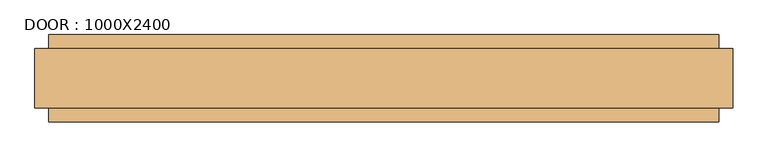
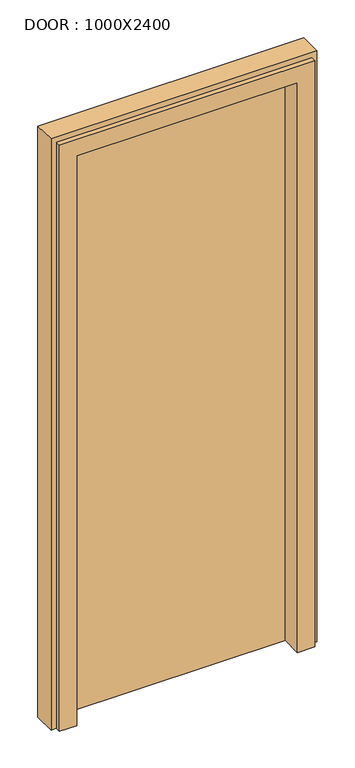
"""IFC4 building model written with IfcOpenShell, lengths in millimetres: door geometry, DOOR : 1000X2400."""

import ifcopenshell
import ifcopenshell.guid

model = None  # the IFC model being written
_history = None  # IfcOwnerHistory: only IFC2X3 demands one
_inside = {}  # id of a spatial element -> (the spatial element, [elements in it])
_under = {}  # id of a project, library or spatial element -> (it, [spatial elements below it])
_declared = {}  # id of a project -> (the project, [libraries it declares])
_typed = {}  # id of a type object -> (the type object, [elements of that type])
_made_of = {}  # id of a material, layer set ... -> (it, [elements and type objects made of it])


def new_model(schema):
    """Start an empty IFC model of exactly this schema.

    Asked for "IFC4X3", IfcOpenShell would pick the latest addendum, in which some entities
    have other attributes; the version numbers below select the first issue.
    IFC2X3 requires an IfcOwnerHistory on every rooted entity: one is made here for all.
    """
    global model, _history
    if schema == "IFC4X3":
        model = ifcopenshell.file(schema_version=(4, 3, 0, 0))
    else:
        model = ifcopenshell.file(schema=schema)
    _inside.clear()
    _under.clear()
    _declared.clear()
    _typed.clear()
    _made_of.clear()
    _history = None
    if model.schema == "IFC2X3":
        org = make("IfcOrganization", Name="unknown")
        user = make(
            "IfcPersonAndOrganization",
            ThePerson=make("IfcPerson", FamilyName="unknown"),
            TheOrganization=org,
        )
        app = make(
            "IfcApplication",
            ApplicationDeveloper=org,
            Version="unknown",
            ApplicationFullName="unknown",
            ApplicationIdentifier="unknown",
        )
        _history = make(
            "IfcOwnerHistory",
            OwningUser=user,
            OwningApplication=app,
            ChangeAction="ADDED",
            CreationDate=0,
        )
    return model


def make(cls, **values):
    """One entity of the class cls with the attributes given. An attribute that is None is left unset."""
    return model.create_entity(
        cls, **{name: value for name, value in values.items() if value is not None}
    )


def rooted(cls, **values):
    """An entity with a GlobalId (a new one), such as an element, a storey or a relation."""
    return make(cls, GlobalId=ifcopenshell.guid.new(), OwnerHistory=_history, **values)


def si_unit(unit_type, name, prefix=None):
    """IfcSIUnit, for example si_unit("LENGTHUNIT", "METRE", prefix="MILLI")."""
    return make("IfcSIUnit", UnitType=unit_type, Prefix=prefix, Name=name)


def assignment(units):
    """IfcUnitAssignment: the units of a project."""
    return None if units is None else make("IfcUnitAssignment", Units=units)


def point(xyz):
    """IfcCartesianPoint."""
    return None if xyz is None else make("IfcCartesianPoint", Coordinates=xyz)


def direction(xyz):
    """IfcDirection."""
    return None if xyz is None else make("IfcDirection", DirectionRatios=xyz)


def frame(location, z_axis=None, x_axis=None):
    """IfcAxis2Placement3D, a coordinate frame: its origin and axes. An axis left out is left unset."""
    return make(
        "IfcAxis2Placement3D",
        Location=point(location),
        Axis=direction(z_axis),
        RefDirection=direction(x_axis),
    )


def origin():
    """The frame at (0, 0, 0) with its axes left unset."""
    return frame((0.0, 0.0, 0.0))


def place(relative_to, where):
    """IfcLocalPlacement: puts the frame where relative to a parent placement (None: the world)."""
    return make(
        "IfcLocalPlacement", PlacementRelTo=relative_to, RelativePlacement=where
    )


def context(
    kind, dimensions, precision=None, world=None, true_north=None, identifier=None
):
    """IfcGeometricRepresentationContext, for example the 3D "Model" context."""
    return make(
        "IfcGeometricRepresentationContext",
        ContextIdentifier=identifier,
        ContextType=kind,
        CoordinateSpaceDimension=dimensions,
        Precision=precision,
        WorldCoordinateSystem=world,
        TrueNorth=true_north,
    )


def project(units=None, contexts=None):
    """IfcProject with its units and contexts."""
    return rooted(
        "IfcProject",
        Name="project",
        RepresentationContexts=contexts,
        UnitsInContext=assignment(units),
    )


def spatial(cls, under=None, at=None, **own):
    """A site, building, storey or space (cls), placed at a placement, below another one or the project."""
    s = rooted(cls, ObjectPlacement=at, **own)
    if under is not None:
        _under.setdefault(under.id(), (under, []))[1].append(s)
    return s


def polyline(points):
    """IfcPolyline through the points."""
    return make("IfcPolyline", Points=[point(p) for p in points])


def outline(outer, holes=None, kind="AREA"):
    """IfcArbitraryClosedProfileDef: a profile drawn as a closed curve; with holes, ...WithVoids."""
    if holes is None:
        return make("IfcArbitraryClosedProfileDef", ProfileType=kind, OuterCurve=outer)
    return make(
        "IfcArbitraryProfileDefWithVoids",
        ProfileType=kind,
        OuterCurve=outer,
        InnerCurves=holes,
    )


def extrude(swept, where, along, depth):
    """IfcExtrudedAreaSolid: the profile swept, set in the frame where, extruded along a direction by depth."""
    return make(
        "IfcExtrudedAreaSolid",
        SweptArea=swept,
        Position=where,
        ExtrudedDirection=direction(along),
        Depth=depth,
    )


def faces_of(points, faces, orient=None, outer=None):
    """IfcFace entities. A face is a list of loops; a loop is a list of indices into points, from 0.

    orient and outer hold one flag for each loop. By default every Orientation is true, the
    first loop of a face is its IfcFaceOuterBound and the others are IfcFaceBound.
    """
    made = []
    for i, loops in enumerate(faces):
        bounds = []
        for j, loop in enumerate(loops):
            is_outer = j == 0 if outer is None else outer[i][j]
            bounds.append(
                make(
                    "IfcFaceOuterBound" if is_outer else "IfcFaceBound",
                    Bound=make("IfcPolyLoop", Polygon=[points[k] for k in loop]),
                    Orientation=True if orient is None else orient[i][j],
                )
            )
        made.append(make("IfcFace", Bounds=bounds))
    return made


def faceted_brep(points, faces, orient=None, outer=None, voids=None):
    """IfcFacetedBrep: a solid bounded by flat faces; with voids (closed shells), ...WithVoids."""
    shared = [point(p) for p in points]
    hull = make("IfcClosedShell", CfsFaces=faces_of(shared, faces, orient, outer))
    if voids is None:
        return make("IfcFacetedBrep", Outer=hull)
    return make(
        "IfcFacetedBrepWithVoids",
        Outer=hull,
        Voids=[
            make(cls, CfsFaces=faces_of(shared, fs, o, b)) for cls, fs, o, b in voids
        ],
    )


def shape(context_of_items, identifier, shape_type, items):
    """IfcShapeRepresentation: the items that make up one representation, for example the "Body"."""
    return make(
        "IfcShapeRepresentation",
        ContextOfItems=context_of_items,
        RepresentationIdentifier=identifier,
        RepresentationType=shape_type,
        Items=items,
    )


def source(mapping_origin, context_of_items, identifier, shape_type, items):
    """IfcRepresentationMap: a shape defined once, which mapped items show again and again."""
    return make(
        "IfcRepresentationMap",
        MappingOrigin=mapping_origin,
        MappedRepresentation=shape(context_of_items, identifier, shape_type, items),
    )


def transform(
    local_origin,
    x_axis=None,
    y_axis=None,
    z_axis=None,
    scale=None,
    scale2=None,
    scale3=None,
    uniform=True,
):
    """IfcCartesianTransformationOperator3D, or its non-uniform kind. x_axis, y_axis, z_axis: its Axis1, 2, 3."""
    if uniform:
        return make(
            "IfcCartesianTransformationOperator3D",
            Axis1=direction(x_axis),
            Axis2=direction(y_axis),
            LocalOrigin=point(local_origin),
            Scale=scale,
            Axis3=direction(z_axis),
        )
    return make(
        "IfcCartesianTransformationOperator3DnonUniform",
        Axis1=direction(x_axis),
        Axis2=direction(y_axis),
        LocalOrigin=point(local_origin),
        Scale=scale,
        Axis3=direction(z_axis),
        Scale2=scale2,
        Scale3=scale3,
    )


def mapped(mapping_source, mapping_target):
    """IfcMappedItem: shows the shape of a source again, moved by a transform."""
    return make(
        "IfcMappedItem", MappingSource=mapping_source, MappingTarget=mapping_target
    )


def made_of(thing, what):
    """Note that an element or type object is made of a material, layer set ...; save() writes the relation."""
    if what is not None:
        _made_of.setdefault(what.id(), (what, []))[1].append(thing)
    return thing


def element(
    cls,
    number,
    at=None,
    inside=None,
    cuts=None,
    type_object=None,
    material=None,
    context=None,
    identifier="Body",
    shape_type=None,
    held_by="IfcProductDefinitionShape",
    body=None,
    shapes=None,
    **own,
):
    """One element of the class cls, such as IfcWall. Its Tag is "e" and its number.

    at: its placement. inside: the storey or other place that contains it. cuts: it is an
    opening in that element (IfcRelVoidsElement). A single representation is given by context,
    identifier, shape_type and body (its items); several are given by shapes. held_by: the class
    of the entity that holds the representations. save() writes the other relations.
    """
    e = rooted(cls, Tag="e%d" % number, ObjectPlacement=at, **own)
    if body is not None:
        shapes = [shape(context, identifier, shape_type, body)]
    if shapes is not None:
        e.Representation = make(held_by, Representations=shapes)
    if inside is not None:
        _inside.setdefault(inside.id(), (inside, []))[1].append(e)
    if cuts is not None:
        rooted(
            "IfcRelVoidsElement", RelatingBuildingElement=cuts, RelatedOpeningElement=e
        )
    if type_object is not None:
        _typed.setdefault(type_object.id(), (type_object, []))[1].append(e)
    return made_of(e, material)


def aggregate(whole, parts):
    """IfcRelAggregates: a whole, such as a stair, and the parts it consists of."""
    return rooted("IfcRelAggregates", RelatingObject=whole, RelatedObjects=parts)


def save(model, path):
    """Write the relations noted so far, then the file.

    IfcRelAggregates (storeys below a building ...), IfcRelContainedInSpatialStructure (elements
    in a storey), IfcRelDefinesByType, IfcRelAssociatesMaterial and IfcRelDeclares: one each for
    every whole, place, type object, material and project.
    """
    for whole, parts in _under.values():
        aggregate(whole, parts)
    for where, things in _inside.values():
        rooted(
            "IfcRelContainedInSpatialStructure",
            RelatedElements=things,
            RelatingStructure=where,
        )
    for kind, things in _typed.values():
        rooted("IfcRelDefinesByType", RelatedObjects=things, RelatingType=kind)
    for what, things in _made_of.values():
        rooted("IfcRelAssociatesMaterial", RelatedObjects=things, RelatingMaterial=what)
    for by, libraries in _declared.values():
        rooted("IfcRelDeclares", RelatingContext=by, RelatedDefinitions=libraries)
    model.write(path)


def door_1000x2400_f015520d(model_context):
    return source(origin(), model_context, "Body", "SolidModel", [
        faceted_brep([(343.0, 50.0, 50.0), (395.0, 50.0, 50.0), (395.0, 30.0, 50.0), (415.0, 30.0, 50.0), (415.0, -55.0, 50.0), (395.0, -55.0, 50.0), (395.0, -75.0, 50.0), (330.0, -75.0, 50.0), (330.0, 5.0, 50.0), (343.0, 5.0, 50.0), (343.0, 5.0, 2328.0), (343.0, 50.0, 2328.0), (330.0, 5.0, 2315.0), (-500.0, 5.0, 2315.0), (-500.0, 5.0, 50.0), (-513.0, 5.0, 50.0), (-513.0, 5.0, 2328.0), (330.0, -75.0, 2315.0), (395.0, -75.0, 2380.0), (-565.0, -75.0, 2380.0), (-565.0, -75.0, 50.0), (-500.0, -75.0, 50.0), (-500.0, -75.0, 2315.0), (395.0, -55.0, 2380.0), (415.0, -55.0, 2400.0), (-585.0, -55.0, 2400.0), (-585.0, -55.0, 50.0), (-565.0, -55.0, 50.0), (-565.0, -55.0, 2380.0), (415.0, 30.0, 2400.0), (395.0, 30.0, 2380.0), (-565.0, 30.0, 2380.0), (-565.0, 30.0, 50.0), (-585.0, 30.0, 50.0), (-585.0, 30.0, 2400.0), (395.0, 50.0, 2380.0), (-513.0, 50.0, 2328.0), (-513.0, 50.0, 50.0), (-565.0, 50.0, 50.0), (-565.0, 50.0, 2380.0)], [[[0, 1, 2, 3, 4, 5, 6, 7, 8, 9]], [[9, 10, 11, 0]], [[8, 12, 13, 14, 15, 16, 10, 9]], [[7, 17, 12, 8]], [[6, 18, 19, 20, 21, 22, 17, 7]], [[5, 23, 18, 6]], [[4, 24, 25, 26, 27, 28, 23, 5]], [[3, 29, 24, 4]], [[2, 30, 31, 32, 33, 34, 29, 3]], [[1, 35, 30, 2]], [[0, 11, 36, 37, 38, 39, 35, 1]], [[16, 15, 37, 36]], [[37, 15, 14, 21, 20, 27, 26, 33, 32, 38]], [[22, 21, 14, 13]], [[28, 27, 20, 19]], [[34, 33, 26, 25]], [[39, 38, 32, 31]], [[10, 16, 36, 11]], [[17, 22, 13, 12]], [[23, 28, 19, 18]], [[29, 34, 25, 24]], [[35, 39, 31, 30]]]),
        extrude(outline(polyline([(343.0, 50.0), (343.0, 5.0), (-513.0, 5.0), (-513.0, 50.0), (343.0, 50.0)])), frame((0.0, 0.0, 50.0), z_axis=(0.0, 0.0, 1.0), x_axis=(1.0, 0.0, 0.0)), (0.0, 0.0, 1.0), 2278.0),
    ])


if __name__ == "__main__":
    model = new_model("IFC4")
    model_context = context("Model", 3, world=origin())
    ifc_project = project(units=[si_unit("LENGTHUNIT", "METRE", prefix="MILLI")], contexts=[model_context])
    site = spatial("IfcSite", under=ifc_project)
    building = spatial("IfcBuilding", under=site)
    placement = place(None, origin())
    door_1000x2400_shape = door_1000x2400_f015520d(model_context)
    element("IfcDoor", 1, ObjectType="DOOR : 1000X2400", at=placement, inside=building, context=model_context, shape_type="MappedRepresentation", body=[
        mapped(door_1000x2400_shape, transform((0.0, 0.0, 0.0), x_axis=(1.0, 0.0, 0.0), y_axis=(0.0, 1.0, 0.0), z_axis=(0.0, 0.0, 1.0))),
    ])
    save(model, "model.ifc")
